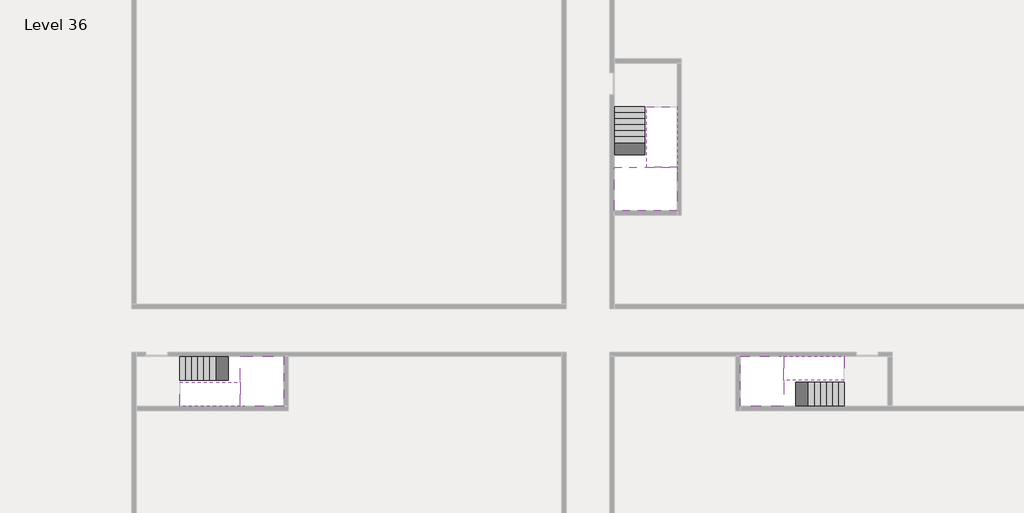
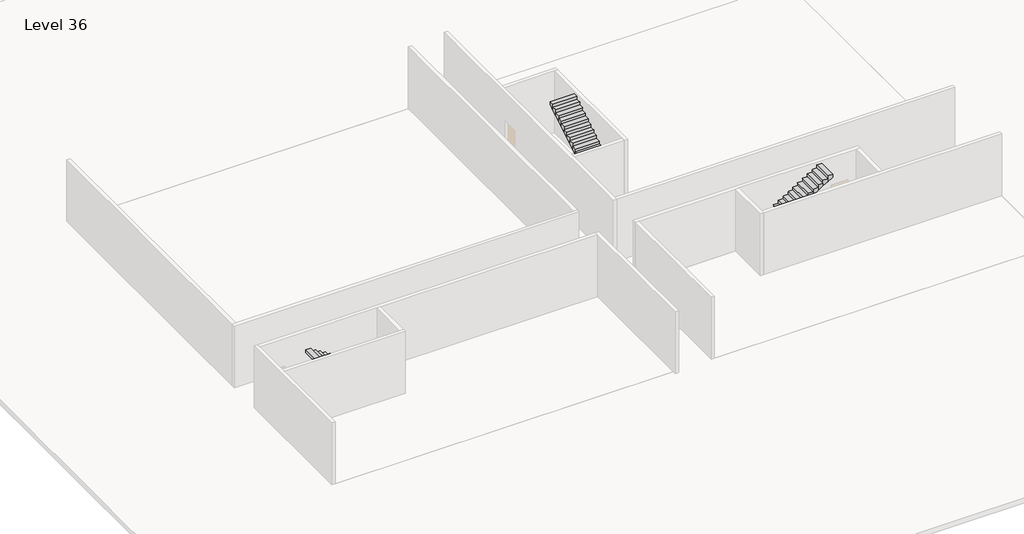
# One storey, part 2 of 2: 6 stair flights, 3 slabs.
"""IFC4 building model written with IfcOpenShell, lengths in millimetres."""

from ifc_helpers import new_model, si_unit, origin, place, context, project, spatial, faceted_brep, element, save

model = new_model("IFC4")

# Units and contexts
model_context = context("Model", 3, world=origin())
ifc_project = project(units=[si_unit("LENGTHUNIT", "METRE", prefix="MILLI")], contexts=[model_context])

# Site, building, storey
site = spatial("IfcSite", under=ifc_project)
building = spatial("IfcBuilding", under=site)
storey = spatial("IfcBuildingStorey", under=building, Name="Level 36", Elevation=133000.0)

# Slabs
placement = place(None, origin())
element("IfcSlab", 1, at=placement, inside=storey, context=model_context, shape_type="Brep", body=[
    faceted_brep([(8190.1058784, -42918.09644, 134900.0), (8190.1058784, -44018.09644, 134900.0), (8190.1058784, -44118.09644, 134900.0), (8190.1058784, -45218.09644, 134900.0), (8390.7194421, -45218.09644, 134900.0), (10190.1058784, -45218.09644, 134900.0), (10190.1058784, -42918.09644, 134900.0), (8269.4923146, -42918.09644, 134900.0), (8190.1058784, -42918.09644, 134727.2727273), (8190.1058784, -42918.09644, 134551.0278478), (8190.1058784, -44018.09644, 134551.0278478), (8190.1058784, -44018.09644, 134600.0), (8190.1058784, -44118.09644, 134600.0), (8190.1058784, -44118.09644, 134723.7551205), (8190.1058784, -45218.09644, 134723.7551205), (8390.7194421, -45218.09644, 134600.0), (10190.1058784, -45218.09644, 134600.0), (10190.1058784, -42918.09644, 134600.0), (8269.4923146, -42918.09644, 134600.0), (8390.7194421, -44118.09644, 134600.0), (8269.4923146, -44018.09644, 134600.0)], [[[0, 1, 2, 3, 4, 5, 6, 7]], [[1, 0, 8, 9, 10, 11]], [[2, 1, 11, 12, 13]], [[3, 2, 13, 14]], [[3, 14, 15, 16, 5, 4]], [[6, 5, 16, 17]], [[9, 8, 0, 7, 6, 17, 18]], [[19, 12, 11, 20, 18, 17, 16, 15]], [[12, 19, 13]], [[18, 20, 10, 9]], [[20, 11, 10]], [[19, 15, 14, 13]]]),
])
element("IfcSlab", 2, at=placement, inside=storey, context=model_context, shape_type="Brep", body=[
    faceted_brep([(33190.1058784, -45218.09644, 134900.0), (33190.1058784, -44118.09644, 134900.0), (33190.1058784, -44018.09644, 134900.0), (33190.1058784, -42918.09644, 134900.0), (32989.4923146, -42918.09644, 134900.0), (31190.1058784, -42918.09644, 134900.0), (31190.1058784, -45218.09644, 134900.0), (33110.7194421, -45218.09644, 134900.0), (33190.1058784, -45218.09644, 134727.2727273), (33190.1058784, -45218.09644, 134551.0278478), (33190.1058784, -44118.09644, 134551.0278478), (33190.1058784, -44118.09644, 134600.0), (33190.1058784, -44018.09644, 134600.0), (33190.1058784, -44018.09644, 134723.7551205), (33190.1058784, -42918.09644, 134723.7551205), (32989.4923146, -42918.09644, 134600.0), (31190.1058784, -42918.09644, 134600.0), (31190.1058784, -45218.09644, 134600.0), (33110.7194421, -45218.09644, 134600.0), (32989.4923146, -44018.09644, 134600.0), (33110.7194421, -44118.09644, 134600.0)], [[[0, 1, 2, 3, 4, 5, 6, 7]], [[1, 0, 8, 9, 10, 11]], [[2, 1, 11, 12, 13]], [[3, 2, 13, 14]], [[3, 14, 15, 16, 5, 4]], [[6, 5, 16, 17]], [[9, 8, 0, 7, 6, 17, 18]], [[19, 12, 11, 20, 18, 17, 16, 15]], [[12, 19, 13]], [[18, 20, 10, 9]], [[20, 11, 10]], [[19, 15, 14, 13]]]),
])
element("IfcSlab", 3, at=placement, inside=storey, context=model_context, shape_type="Brep", body=[
    faceted_brep([(26790.1058784, -34218.09644, 134900.0), (25390.1058784, -34218.09644, 134900.0), (25390.1058784, -34297.4828763, 134900.0), (25390.1058784, -36218.09644, 134900.0), (28290.1058784, -36218.09644, 134900.0), (28290.1058784, -34418.7100038, 134900.0), (28290.1058784, -34218.09644, 134900.0), (26890.1058784, -34218.09644, 134900.0), (26790.1058784, -34218.09644, 134600.0), (26790.1058784, -34218.09644, 134551.0278478), (25390.1058784, -34218.09644, 134551.0278478), (25390.1058784, -34218.09644, 134727.2727273), (25390.1058784, -34297.4828763, 134600.0), (25390.1058784, -36218.09644, 134600.0), (28290.1058784, -36218.09644, 134600.0), (28290.1058784, -34418.7100038, 134600.0), (28290.1058784, -34218.09644, 134723.7551205), (26890.1058784, -34218.09644, 134723.7551205), (26890.1058784, -34218.09644, 134600.0), (26890.1058784, -34418.7100038, 134600.0), (26790.1058784, -34297.4828763, 134600.0)], [[[0, 1, 2, 3, 4, 5, 6, 7]], [[1, 0, 8, 9, 10, 11]], [[1, 11, 10, 12, 13, 3, 2]], [[4, 3, 13, 14]], [[4, 14, 15, 16, 6, 5]], [[7, 6, 16, 17]], [[0, 7, 17, 18, 8]], [[18, 19, 15, 14, 13, 12, 20, 8]], [[19, 18, 17]], [[20, 12, 10, 9]], [[8, 20, 9]], [[15, 19, 17, 16]]]),
])

# Stair flights
element("IfcStairFlight", 4, at=placement, inside=storey, context=model_context, shape_type="Brep", body=[
    faceted_brep([(5670.1058784, -42918.09644, 133172.7272727), (5390.1058784, -42918.09644, 133172.7272727), (5390.1058784, -44018.09644, 133172.7272727), (5670.1058784, -44018.09644, 133172.7272727), (5670.1058784, -42918.09644, 133000.0), (5390.1058784, -42918.09644, 133000.0), (5390.1058784, -44018.09644, 133000.0), (5670.1058784, -44018.09644, 133000.0), (5950.1058784, -42918.09644, 133345.4545455), (5670.1058784, -42918.09644, 133345.4545455), (5670.1058784, -44018.09644, 133345.4545455), (5950.1058784, -44018.09644, 133345.4545455), (5950.1058784, -42918.09644, 133169.209666), (5675.8081041, -42918.09644, 133000.0), (5675.8081041, -44018.09644, 133000.0), (5950.1058784, -44018.09644, 133169.209666), (6230.1058784, -42918.09644, 133518.1818182), (5950.1058784, -42918.09644, 133518.1818182), (5950.1058784, -44018.09644, 133518.1818182), (6230.1058784, -44018.09644, 133518.1818182), (6230.1058784, -42918.09644, 133341.9369387), (6230.1058784, -44018.09644, 133341.9369387), (6510.1058784, -42918.09644, 133690.9090909), (6230.1058784, -42918.09644, 133690.9090909), (6230.1058784, -44018.09644, 133690.9090909), (6510.1058784, -44018.09644, 133690.9090909), (6510.1058784, -42918.09644, 133514.6642114), (6510.1058784, -44018.09644, 133514.6642114), (6790.1058784, -42918.09644, 133863.6363636), (6510.1058784, -42918.09644, 133863.6363636), (6510.1058784, -44018.09644, 133863.6363636), (6790.1058784, -44018.09644, 133863.6363636), (6790.1058784, -42918.09644, 133687.3914841), (6790.1058784, -44018.09644, 133687.3914841), (7070.1058784, -42918.09644, 134036.3636364), (6790.1058784, -42918.09644, 134036.3636364), (6790.1058784, -44018.09644, 134036.3636364), (7070.1058784, -44018.09644, 134036.3636364), (7070.1058784, -42918.09644, 133860.1187569), (7070.1058784, -44018.09644, 133860.1187569), (7350.1058784, -42918.09644, 134209.0909091), (7070.1058784, -42918.09644, 134209.0909091), (7070.1058784, -44018.09644, 134209.0909091), (7350.1058784, -44018.09644, 134209.0909091), (7350.1058784, -42918.09644, 134032.8460296), (7350.1058784, -44018.09644, 134032.8460296), (7630.1058784, -42918.09644, 134381.8181818), (7350.1058784, -42918.09644, 134381.8181818), (7350.1058784, -44018.09644, 134381.8181818), (7630.1058784, -44018.09644, 134381.8181818), (7630.1058784, -42918.09644, 134205.5733023), (7630.1058784, -44018.09644, 134205.5733023), (7910.1058784, -42918.09644, 134554.5454545), (7630.1058784, -42918.09644, 134554.5454545), (7630.1058784, -44018.09644, 134554.5454545), (7910.1058784, -44018.09644, 134554.5454545), (7910.1058784, -42918.09644, 134378.3005751), (7910.1058784, -44018.09644, 134378.3005751), (8190.1058784, -42918.09644, 134727.2727273), (7910.1058784, -42918.09644, 134727.2727273), (7910.1058784, -44018.09644, 134727.2727273), (8190.1058784, -44018.09644, 134727.2727273), (8190.1058784, -42918.09644, 134551.0278478), (8190.1058784, -44018.09644, 134551.0278478), (8190.1058784, -44018.09644, 134600.0)], [[[0, 1, 2, 3]], [[1, 0, 4, 5]], [[2, 1, 5, 6]], [[3, 2, 6, 7]], [[8, 9, 10, 11]], [[4, 0, 9, 8, 12, 13]], [[0, 3, 10, 9]], [[3, 7, 14, 15, 11, 10]], [[16, 17, 18, 19]], [[17, 16, 20, 12, 8]], [[8, 11, 18, 17]], [[19, 18, 11, 15, 21]], [[22, 23, 24, 25]], [[23, 22, 26, 20, 16]], [[16, 19, 24, 23]], [[25, 24, 19, 21, 27]], [[28, 29, 30, 31]], [[29, 28, 32, 26, 22]], [[22, 25, 30, 29]], [[31, 30, 25, 27, 33]], [[34, 35, 36, 37]], [[35, 34, 38, 32, 28]], [[28, 31, 36, 35]], [[37, 36, 31, 33, 39]], [[40, 41, 42, 43]], [[41, 40, 44, 38, 34]], [[34, 37, 42, 41]], [[43, 42, 37, 39, 45]], [[46, 47, 48, 49]], [[47, 46, 50, 44, 40]], [[40, 43, 48, 47]], [[49, 48, 43, 45, 51]], [[52, 53, 54, 55]], [[53, 52, 56, 50, 46]], [[46, 49, 54, 53]], [[55, 54, 49, 51, 57]], [[58, 59, 60, 61]], [[59, 58, 62, 56, 52]], [[52, 55, 60, 59]], [[61, 60, 55, 57, 63, 64]], [[58, 61, 64, 63, 62]], [[5, 4, 13, 14, 7, 6]], [[14, 13, 12, 20, 26, 32, 38, 44, 50, 56, 62, 63, 57, 51, 45, 39, 33, 27, 21, 15]]]),
])
element("IfcStairFlight", 5, at=placement, inside=storey, context=model_context, shape_type="Brep", body=[
    faceted_brep([(7910.1058784, -45218.09644, 135072.7272727), (8190.1058784, -45218.09644, 135072.7272727), (8190.1058784, -44118.09644, 135072.7272727), (7910.1058784, -44118.09644, 135072.7272727), (7910.1058784, -45218.09644, 134896.4823932), (8190.1058784, -45218.09644, 134723.7551205), (8190.1058784, -45218.09644, 134900.0), (8190.1058784, -44118.09644, 134723.7551205), (7910.1058784, -44118.09644, 134896.4823932), (7630.1058784, -45218.09644, 135245.4545455), (7910.1058784, -45218.09644, 135245.4545455), (7910.1058784, -44118.09644, 135245.4545455), (7630.1058784, -44118.09644, 135245.4545455), (7630.1058784, -45218.09644, 135069.209666), (7630.1058784, -44118.09644, 135069.209666), (7350.1058784, -45218.09644, 135418.1818182), (7630.1058784, -45218.09644, 135418.1818182), (7630.1058784, -44118.09644, 135418.1818182), (7350.1058784, -44118.09644, 135418.1818182), (7350.1058784, -45218.09644, 135241.9369387), (7350.1058784, -44118.09644, 135241.9369387), (7070.1058784, -45218.09644, 135590.9090909), (7350.1058784, -45218.09644, 135590.9090909), (7350.1058784, -44118.09644, 135590.9090909), (7070.1058784, -44118.09644, 135590.9090909), (7070.1058784, -45218.09644, 135414.6642114), (7070.1058784, -44118.09644, 135414.6642114), (6790.1058784, -45218.09644, 135763.6363636), (7070.1058784, -45218.09644, 135763.6363636), (7070.1058784, -44118.09644, 135763.6363636), (6790.1058784, -44118.09644, 135763.6363636), (6790.1058784, -45218.09644, 135587.3914841), (6790.1058784, -44118.09644, 135587.3914841), (6510.1058784, -45218.09644, 135936.3636364), (6790.1058784, -45218.09644, 135936.3636364), (6790.1058784, -44118.09644, 135936.3636364), (6510.1058784, -44118.09644, 135936.3636364), (6510.1058784, -45218.09644, 135760.1187569), (6510.1058784, -44118.09644, 135760.1187569), (6230.1058784, -45218.09644, 136109.0909091), (6510.1058784, -45218.09644, 136109.0909091), (6510.1058784, -44118.09644, 136109.0909091), (6230.1058784, -44118.09644, 136109.0909091), (6230.1058784, -45218.09644, 135932.8460296), (6230.1058784, -44118.09644, 135932.8460296), (5950.1058784, -45218.09644, 136281.8181818), (6230.1058784, -45218.09644, 136281.8181818), (6230.1058784, -44118.09644, 136281.8181818), (5950.1058784, -44118.09644, 136281.8181818), (5950.1058784, -45218.09644, 136105.5733023), (5950.1058784, -44118.09644, 136105.5733023), (5670.1058784, -45218.09644, 136454.5454545), (5950.1058784, -45218.09644, 136454.5454545), (5950.1058784, -44118.09644, 136454.5454545), (5670.1058784, -44118.09644, 136454.5454545), (5670.1058784, -45218.09644, 136278.3005751), (5670.1058784, -44118.09644, 136278.3005751), (5390.1058784, -45218.09644, 136627.2727273), (5670.1058784, -45218.09644, 136627.2727273), (5670.1058784, -44118.09644, 136627.2727273), (5390.1058784, -44118.09644, 136627.2727273), (5390.1058784, -45218.09644, 136451.0278478), (5390.1058784, -44118.09644, 136451.0278478)], [[[0, 1, 2, 3]], [[1, 0, 4, 5, 6]], [[2, 1, 6, 5, 7]], [[3, 2, 7, 8]], [[9, 10, 11, 12]], [[10, 9, 13, 4, 0]], [[11, 10, 0, 3]], [[12, 11, 3, 8, 14]], [[15, 16, 17, 18]], [[16, 15, 19, 13, 9]], [[17, 16, 9, 12]], [[18, 17, 12, 14, 20]], [[21, 22, 23, 24]], [[22, 21, 25, 19, 15]], [[23, 22, 15, 18]], [[24, 23, 18, 20, 26]], [[27, 28, 29, 30]], [[28, 27, 31, 25, 21]], [[29, 28, 21, 24]], [[30, 29, 24, 26, 32]], [[33, 34, 35, 36]], [[34, 33, 37, 31, 27]], [[35, 34, 27, 30]], [[36, 35, 30, 32, 38]], [[39, 40, 41, 42]], [[40, 39, 43, 37, 33]], [[41, 40, 33, 36]], [[42, 41, 36, 38, 44]], [[45, 46, 47, 48]], [[46, 45, 49, 43, 39]], [[47, 46, 39, 42]], [[48, 47, 42, 44, 50]], [[51, 52, 53, 54]], [[52, 51, 55, 49, 45]], [[53, 52, 45, 48]], [[54, 53, 48, 50, 56]], [[57, 58, 59, 60]], [[58, 57, 61, 55, 51]], [[59, 58, 51, 54]], [[60, 59, 54, 56, 62]], [[57, 60, 62, 61]], [[5, 4, 13, 19, 25, 31, 37, 43, 49, 55, 61, 62, 56, 50, 44, 38, 32, 26, 20, 14, 8, 7]]]),
])
element("IfcStairFlight", 6, at=placement, inside=storey, context=model_context, shape_type="Brep", body=[
    faceted_brep([(35710.1058784, -45218.09644, 133172.7272727), (35990.1058784, -45218.09644, 133172.7272727), (35990.1058784, -44118.09644, 133172.7272727), (35710.1058784, -44118.09644, 133172.7272727), (35710.1058784, -45218.09644, 133000.0), (35990.1058784, -45218.09644, 133000.0), (35990.1058784, -44118.09644, 133000.0), (35710.1058784, -44118.09644, 133000.0), (35430.1058784, -45218.09644, 133345.4545455), (35710.1058784, -45218.09644, 133345.4545455), (35710.1058784, -44118.09644, 133345.4545455), (35430.1058784, -44118.09644, 133345.4545455), (35430.1058784, -45218.09644, 133169.209666), (35704.4036527, -45218.09644, 133000.0), (35704.4036527, -44118.09644, 133000.0), (35430.1058784, -44118.09644, 133169.209666), (35150.1058784, -45218.09644, 133518.1818182), (35430.1058784, -45218.09644, 133518.1818182), (35430.1058784, -44118.09644, 133518.1818182), (35150.1058784, -44118.09644, 133518.1818182), (35150.1058784, -45218.09644, 133341.9369387), (35150.1058784, -44118.09644, 133341.9369387), (34870.1058784, -45218.09644, 133690.9090909), (35150.1058784, -45218.09644, 133690.9090909), (35150.1058784, -44118.09644, 133690.9090909), (34870.1058784, -44118.09644, 133690.9090909), (34870.1058784, -45218.09644, 133514.6642114), (34870.1058784, -44118.09644, 133514.6642114), (34590.1058784, -45218.09644, 133863.6363636), (34870.1058784, -45218.09644, 133863.6363636), (34870.1058784, -44118.09644, 133863.6363636), (34590.1058784, -44118.09644, 133863.6363636), (34590.1058784, -45218.09644, 133687.3914841), (34590.1058784, -44118.09644, 133687.3914841), (34310.1058784, -45218.09644, 134036.3636364), (34590.1058784, -45218.09644, 134036.3636364), (34590.1058784, -44118.09644, 134036.3636364), (34310.1058784, -44118.09644, 134036.3636364), (34310.1058784, -45218.09644, 133860.1187569), (34310.1058784, -44118.09644, 133860.1187569), (34030.1058784, -45218.09644, 134209.0909091), (34310.1058784, -45218.09644, 134209.0909091), (34310.1058784, -44118.09644, 134209.0909091), (34030.1058784, -44118.09644, 134209.0909091), (34030.1058784, -45218.09644, 134032.8460296), (34030.1058784, -44118.09644, 134032.8460296), (33750.1058784, -45218.09644, 134381.8181818), (34030.1058784, -45218.09644, 134381.8181818), (34030.1058784, -44118.09644, 134381.8181818), (33750.1058784, -44118.09644, 134381.8181818), (33750.1058784, -45218.09644, 134205.5733023), (33750.1058784, -44118.09644, 134205.5733023), (33470.1058784, -45218.09644, 134554.5454545), (33750.1058784, -45218.09644, 134554.5454545), (33750.1058784, -44118.09644, 134554.5454545), (33470.1058784, -44118.09644, 134554.5454545), (33470.1058784, -45218.09644, 134378.3005751), (33470.1058784, -44118.09644, 134378.3005751), (33190.1058784, -45218.09644, 134727.2727273), (33470.1058784, -45218.09644, 134727.2727273), (33470.1058784, -44118.09644, 134727.2727273), (33190.1058784, -44118.09644, 134727.2727273), (33190.1058784, -45218.09644, 134551.0278478), (33190.1058784, -44118.09644, 134551.0278478), (33190.1058784, -44118.09644, 134600.0)], [[[0, 1, 2, 3]], [[1, 0, 4, 5]], [[2, 1, 5, 6]], [[3, 2, 6, 7]], [[8, 9, 10, 11]], [[4, 0, 9, 8, 12, 13]], [[0, 3, 10, 9]], [[3, 7, 14, 15, 11, 10]], [[16, 17, 18, 19]], [[17, 16, 20, 12, 8]], [[8, 11, 18, 17]], [[19, 18, 11, 15, 21]], [[22, 23, 24, 25]], [[23, 22, 26, 20, 16]], [[16, 19, 24, 23]], [[25, 24, 19, 21, 27]], [[28, 29, 30, 31]], [[29, 28, 32, 26, 22]], [[22, 25, 30, 29]], [[31, 30, 25, 27, 33]], [[34, 35, 36, 37]], [[35, 34, 38, 32, 28]], [[28, 31, 36, 35]], [[37, 36, 31, 33, 39]], [[40, 41, 42, 43]], [[41, 40, 44, 38, 34]], [[34, 37, 42, 41]], [[43, 42, 37, 39, 45]], [[46, 47, 48, 49]], [[47, 46, 50, 44, 40]], [[40, 43, 48, 47]], [[49, 48, 43, 45, 51]], [[52, 53, 54, 55]], [[53, 52, 56, 50, 46]], [[46, 49, 54, 53]], [[55, 54, 49, 51, 57]], [[58, 59, 60, 61]], [[59, 58, 62, 56, 52]], [[52, 55, 60, 59]], [[61, 60, 55, 57, 63, 64]], [[58, 61, 64, 63, 62]], [[5, 4, 13, 14, 7, 6]], [[14, 13, 12, 20, 26, 32, 38, 44, 50, 56, 62, 63, 57, 51, 45, 39, 33, 27, 21, 15]]]),
])
element("IfcStairFlight", 7, at=placement, inside=storey, context=model_context, shape_type="Brep", body=[
    faceted_brep([(33470.1058784, -42918.09644, 135072.7272727), (33190.1058784, -42918.09644, 135072.7272727), (33190.1058784, -44018.09644, 135072.7272727), (33470.1058784, -44018.09644, 135072.7272727), (33470.1058784, -42918.09644, 134896.4823932), (33190.1058784, -42918.09644, 134723.7551205), (33190.1058784, -42918.09644, 134900.0), (33190.1058784, -44018.09644, 134723.7551205), (33470.1058784, -44018.09644, 134896.4823932), (33750.1058784, -42918.09644, 135245.4545455), (33470.1058784, -42918.09644, 135245.4545455), (33470.1058784, -44018.09644, 135245.4545455), (33750.1058784, -44018.09644, 135245.4545455), (33750.1058784, -42918.09644, 135069.209666), (33750.1058784, -44018.09644, 135069.209666), (34030.1058784, -42918.09644, 135418.1818182), (33750.1058784, -42918.09644, 135418.1818182), (33750.1058784, -44018.09644, 135418.1818182), (34030.1058784, -44018.09644, 135418.1818182), (34030.1058784, -42918.09644, 135241.9369387), (34030.1058784, -44018.09644, 135241.9369387), (34310.1058784, -42918.09644, 135590.9090909), (34030.1058784, -42918.09644, 135590.9090909), (34030.1058784, -44018.09644, 135590.9090909), (34310.1058784, -44018.09644, 135590.9090909), (34310.1058784, -42918.09644, 135414.6642114), (34310.1058784, -44018.09644, 135414.6642114), (34590.1058784, -42918.09644, 135763.6363636), (34310.1058784, -42918.09644, 135763.6363636), (34310.1058784, -44018.09644, 135763.6363636), (34590.1058784, -44018.09644, 135763.6363636), (34590.1058784, -42918.09644, 135587.3914841), (34590.1058784, -44018.09644, 135587.3914841), (34870.1058784, -42918.09644, 135936.3636364), (34590.1058784, -42918.09644, 135936.3636364), (34590.1058784, -44018.09644, 135936.3636364), (34870.1058784, -44018.09644, 135936.3636364), (34870.1058784, -42918.09644, 135760.1187569), (34870.1058784, -44018.09644, 135760.1187569), (35150.1058784, -42918.09644, 136109.0909091), (34870.1058784, -42918.09644, 136109.0909091), (34870.1058784, -44018.09644, 136109.0909091), (35150.1058784, -44018.09644, 136109.0909091), (35150.1058784, -42918.09644, 135932.8460296), (35150.1058784, -44018.09644, 135932.8460296), (35430.1058784, -42918.09644, 136281.8181818), (35150.1058784, -42918.09644, 136281.8181818), (35150.1058784, -44018.09644, 136281.8181818), (35430.1058784, -44018.09644, 136281.8181818), (35430.1058784, -42918.09644, 136105.5733023), (35430.1058784, -44018.09644, 136105.5733023), (35710.1058784, -42918.09644, 136454.5454545), (35430.1058784, -42918.09644, 136454.5454545), (35430.1058784, -44018.09644, 136454.5454545), (35710.1058784, -44018.09644, 136454.5454545), (35710.1058784, -42918.09644, 136278.3005751), (35710.1058784, -44018.09644, 136278.3005751), (35990.1058784, -42918.09644, 136627.2727273), (35710.1058784, -42918.09644, 136627.2727273), (35710.1058784, -44018.09644, 136627.2727273), (35990.1058784, -44018.09644, 136627.2727273), (35990.1058784, -42918.09644, 136451.0278478), (35990.1058784, -44018.09644, 136451.0278478)], [[[0, 1, 2, 3]], [[1, 0, 4, 5, 6]], [[2, 1, 6, 5, 7]], [[3, 2, 7, 8]], [[9, 10, 11, 12]], [[10, 9, 13, 4, 0]], [[11, 10, 0, 3]], [[12, 11, 3, 8, 14]], [[15, 16, 17, 18]], [[16, 15, 19, 13, 9]], [[17, 16, 9, 12]], [[18, 17, 12, 14, 20]], [[21, 22, 23, 24]], [[22, 21, 25, 19, 15]], [[23, 22, 15, 18]], [[24, 23, 18, 20, 26]], [[27, 28, 29, 30]], [[28, 27, 31, 25, 21]], [[29, 28, 21, 24]], [[30, 29, 24, 26, 32]], [[33, 34, 35, 36]], [[34, 33, 37, 31, 27]], [[35, 34, 27, 30]], [[36, 35, 30, 32, 38]], [[39, 40, 41, 42]], [[40, 39, 43, 37, 33]], [[41, 40, 33, 36]], [[42, 41, 36, 38, 44]], [[45, 46, 47, 48]], [[46, 45, 49, 43, 39]], [[47, 46, 39, 42]], [[48, 47, 42, 44, 50]], [[51, 52, 53, 54]], [[52, 51, 55, 49, 45]], [[53, 52, 45, 48]], [[54, 53, 48, 50, 56]], [[57, 58, 59, 60]], [[58, 57, 61, 55, 51]], [[59, 58, 51, 54]], [[60, 59, 54, 56, 62]], [[57, 60, 62, 61]], [[5, 4, 13, 19, 25, 31, 37, 43, 49, 55, 61, 62, 56, 50, 44, 38, 32, 26, 20, 14, 8, 7]]]),
])
element("IfcStairFlight", 8, at=placement, inside=storey, context=model_context, shape_type="Brep", body=[
    faceted_brep([(26790.1058784, -31698.09644, 133172.7272727), (26790.1058784, -31418.09644, 133172.7272727), (25390.1058784, -31418.09644, 133172.7272727), (25390.1058784, -31698.09644, 133172.7272727), (26790.1058784, -31698.09644, 133000.0), (26790.1058784, -31418.09644, 133000.0), (25390.1058784, -31418.09644, 133000.0), (25390.1058784, -31698.09644, 133000.0), (26790.1058784, -31978.09644, 133345.4545455), (26790.1058784, -31698.09644, 133345.4545455), (25390.1058784, -31698.09644, 133345.4545455), (25390.1058784, -31978.09644, 133345.4545455), (26790.1058784, -31978.09644, 133169.209666), (26790.1058784, -31703.7986657, 133000.0), (25390.1058784, -31703.7986657, 133000.0), (25390.1058784, -31978.09644, 133169.209666), (26790.1058784, -32258.09644, 133518.1818182), (26790.1058784, -31978.09644, 133518.1818182), (25390.1058784, -31978.09644, 133518.1818182), (25390.1058784, -32258.09644, 133518.1818182), (26790.1058784, -32258.09644, 133341.9369387), (25390.1058784, -32258.09644, 133341.9369387), (26790.1058784, -32538.09644, 133690.9090909), (26790.1058784, -32258.09644, 133690.9090909), (25390.1058784, -32258.09644, 133690.9090909), (25390.1058784, -32538.09644, 133690.9090909), (26790.1058784, -32538.09644, 133514.6642114), (25390.1058784, -32538.09644, 133514.6642114), (26790.1058784, -32818.09644, 133863.6363636), (26790.1058784, -32538.09644, 133863.6363636), (25390.1058784, -32538.09644, 133863.6363636), (25390.1058784, -32818.09644, 133863.6363636), (26790.1058784, -32818.09644, 133687.3914841), (25390.1058784, -32818.09644, 133687.3914841), (26790.1058784, -33098.09644, 134036.3636364), (26790.1058784, -32818.09644, 134036.3636364), (25390.1058784, -32818.09644, 134036.3636364), (25390.1058784, -33098.09644, 134036.3636364), (26790.1058784, -33098.09644, 133860.1187569), (25390.1058784, -33098.09644, 133860.1187569), (26790.1058784, -33378.09644, 134209.0909091), (26790.1058784, -33098.09644, 134209.0909091), (25390.1058784, -33098.09644, 134209.0909091), (25390.1058784, -33378.09644, 134209.0909091), (26790.1058784, -33378.09644, 134032.8460296), (25390.1058784, -33378.09644, 134032.8460296), (26790.1058784, -33658.09644, 134381.8181818), (26790.1058784, -33378.09644, 134381.8181818), (25390.1058784, -33378.09644, 134381.8181818), (25390.1058784, -33658.09644, 134381.8181818), (26790.1058784, -33658.09644, 134205.5733023), (25390.1058784, -33658.09644, 134205.5733023), (26790.1058784, -33938.09644, 134554.5454545), (26790.1058784, -33658.09644, 134554.5454545), (25390.1058784, -33658.09644, 134554.5454545), (25390.1058784, -33938.09644, 134554.5454545), (26790.1058784, -33938.09644, 134378.3005751), (25390.1058784, -33938.09644, 134378.3005751), (26790.1058784, -34218.09644, 134727.2727273), (26790.1058784, -33938.09644, 134727.2727273), (25390.1058784, -33938.09644, 134727.2727273), (25390.1058784, -34218.09644, 134727.2727273), (26790.1058784, -34218.09644, 134600.0), (26790.1058784, -34218.09644, 134551.0278478), (25390.1058784, -34218.09644, 134551.0278478)], [[[0, 1, 2, 3]], [[1, 0, 4, 5]], [[2, 1, 5, 6]], [[3, 2, 6, 7]], [[8, 9, 10, 11]], [[4, 0, 9, 8, 12, 13]], [[0, 3, 10, 9]], [[3, 7, 14, 15, 11, 10]], [[16, 17, 18, 19]], [[17, 16, 20, 12, 8]], [[8, 11, 18, 17]], [[19, 18, 11, 15, 21]], [[22, 23, 24, 25]], [[23, 22, 26, 20, 16]], [[16, 19, 24, 23]], [[25, 24, 19, 21, 27]], [[28, 29, 30, 31]], [[29, 28, 32, 26, 22]], [[22, 25, 30, 29]], [[31, 30, 25, 27, 33]], [[34, 35, 36, 37]], [[35, 34, 38, 32, 28]], [[28, 31, 36, 35]], [[37, 36, 31, 33, 39]], [[40, 41, 42, 43]], [[41, 40, 44, 38, 34]], [[34, 37, 42, 41]], [[43, 42, 37, 39, 45]], [[46, 47, 48, 49]], [[47, 46, 50, 44, 40]], [[40, 43, 48, 47]], [[49, 48, 43, 45, 51]], [[52, 53, 54, 55]], [[53, 52, 56, 50, 46]], [[46, 49, 54, 53]], [[55, 54, 49, 51, 57]], [[58, 59, 60, 61]], [[59, 58, 62, 63, 56, 52]], [[52, 55, 60, 59]], [[61, 60, 55, 57, 64]], [[58, 61, 64, 63, 62]], [[5, 4, 13, 14, 7, 6]], [[14, 13, 12, 20, 26, 32, 38, 44, 50, 56, 63, 64, 57, 51, 45, 39, 33, 27, 21, 15]]]),
])
element("IfcStairFlight", 9, at=placement, inside=storey, context=model_context, shape_type="Brep", body=[
    faceted_brep([(26890.1058784, -33938.09644, 135072.7272727), (26890.1058784, -34218.09644, 135072.7272727), (28290.1058784, -34218.09644, 135072.7272727), (28290.1058784, -33938.09644, 135072.7272727), (26890.1058784, -33938.09644, 134896.4823932), (26890.1058784, -34218.09644, 134723.7551205), (28290.1058784, -34218.09644, 134723.7551205), (28290.1058784, -34218.09644, 134900.0), (28290.1058784, -33938.09644, 134896.4823932), (26890.1058784, -33658.09644, 135245.4545455), (26890.1058784, -33938.09644, 135245.4545455), (28290.1058784, -33938.09644, 135245.4545455), (28290.1058784, -33658.09644, 135245.4545455), (26890.1058784, -33658.09644, 135069.209666), (28290.1058784, -33658.09644, 135069.209666), (26890.1058784, -33378.09644, 135418.1818182), (26890.1058784, -33658.09644, 135418.1818182), (28290.1058784, -33658.09644, 135418.1818182), (28290.1058784, -33378.09644, 135418.1818182), (26890.1058784, -33378.09644, 135241.9369387), (28290.1058784, -33378.09644, 135241.9369387), (26890.1058784, -33098.09644, 135590.9090909), (26890.1058784, -33378.09644, 135590.9090909), (28290.1058784, -33378.09644, 135590.9090909), (28290.1058784, -33098.09644, 135590.9090909), (26890.1058784, -33098.09644, 135414.6642114), (28290.1058784, -33098.09644, 135414.6642114), (26890.1058784, -32818.09644, 135763.6363636), (26890.1058784, -33098.09644, 135763.6363636), (28290.1058784, -33098.09644, 135763.6363636), (28290.1058784, -32818.09644, 135763.6363636), (26890.1058784, -32818.09644, 135587.3914841), (28290.1058784, -32818.09644, 135587.3914841), (26890.1058784, -32538.09644, 135936.3636364), (26890.1058784, -32818.09644, 135936.3636364), (28290.1058784, -32818.09644, 135936.3636364), (28290.1058784, -32538.09644, 135936.3636364), (26890.1058784, -32538.09644, 135760.1187569), (28290.1058784, -32538.09644, 135760.1187569), (26890.1058784, -32258.09644, 136109.0909091), (26890.1058784, -32538.09644, 136109.0909091), (28290.1058784, -32538.09644, 136109.0909091), (28290.1058784, -32258.09644, 136109.0909091), (26890.1058784, -32258.09644, 135932.8460296), (28290.1058784, -32258.09644, 135932.8460296), (26890.1058784, -31978.09644, 136281.8181818), (26890.1058784, -32258.09644, 136281.8181818), (28290.1058784, -32258.09644, 136281.8181818), (28290.1058784, -31978.09644, 136281.8181818), (26890.1058784, -31978.09644, 136105.5733023), (28290.1058784, -31978.09644, 136105.5733023), (26890.1058784, -31698.09644, 136454.5454545), (26890.1058784, -31978.09644, 136454.5454545), (28290.1058784, -31978.09644, 136454.5454545), (28290.1058784, -31698.09644, 136454.5454545), (26890.1058784, -31698.09644, 136278.3005751), (28290.1058784, -31698.09644, 136278.3005751), (26890.1058784, -31418.09644, 136627.2727273), (26890.1058784, -31698.09644, 136627.2727273), (28290.1058784, -31698.09644, 136627.2727273), (28290.1058784, -31418.09644, 136627.2727273), (26890.1058784, -31418.09644, 136451.0278478), (28290.1058784, -31418.09644, 136451.0278478)], [[[0, 1, 2, 3]], [[1, 0, 4, 5]], [[2, 1, 5, 6, 7]], [[3, 2, 7, 6, 8]], [[9, 10, 11, 12]], [[10, 9, 13, 4, 0]], [[11, 10, 0, 3]], [[12, 11, 3, 8, 14]], [[15, 16, 17, 18]], [[16, 15, 19, 13, 9]], [[17, 16, 9, 12]], [[18, 17, 12, 14, 20]], [[21, 22, 23, 24]], [[22, 21, 25, 19, 15]], [[23, 22, 15, 18]], [[24, 23, 18, 20, 26]], [[27, 28, 29, 30]], [[28, 27, 31, 25, 21]], [[29, 28, 21, 24]], [[30, 29, 24, 26, 32]], [[33, 34, 35, 36]], [[34, 33, 37, 31, 27]], [[35, 34, 27, 30]], [[36, 35, 30, 32, 38]], [[39, 40, 41, 42]], [[40, 39, 43, 37, 33]], [[41, 40, 33, 36]], [[42, 41, 36, 38, 44]], [[45, 46, 47, 48]], [[46, 45, 49, 43, 39]], [[47, 46, 39, 42]], [[48, 47, 42, 44, 50]], [[51, 52, 53, 54]], [[52, 51, 55, 49, 45]], [[53, 52, 45, 48]], [[54, 53, 48, 50, 56]], [[57, 58, 59, 60]], [[58, 57, 61, 55, 51]], [[59, 58, 51, 54]], [[60, 59, 54, 56, 62]], [[57, 60, 62, 61]], [[5, 4, 13, 19, 25, 31, 37, 43, 49, 55, 61, 62, 56, 50, 44, 38, 32, 26, 20, 14, 8, 6]]]),
])

save(model, "model.ifc")
